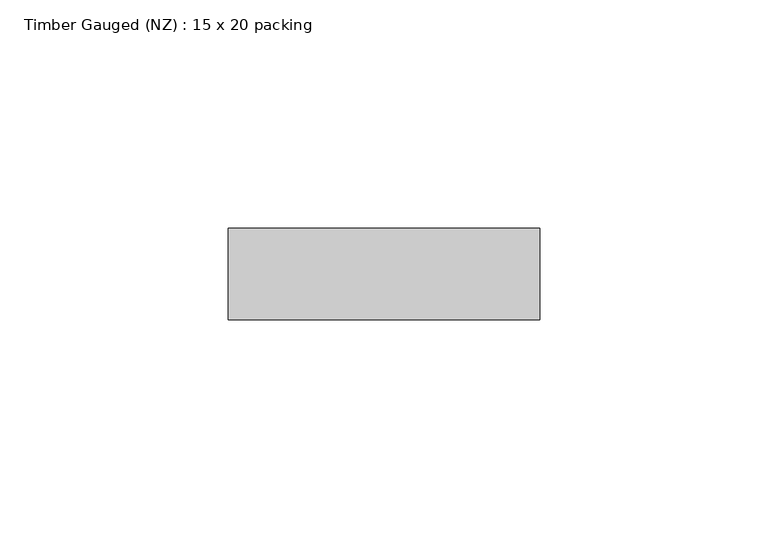
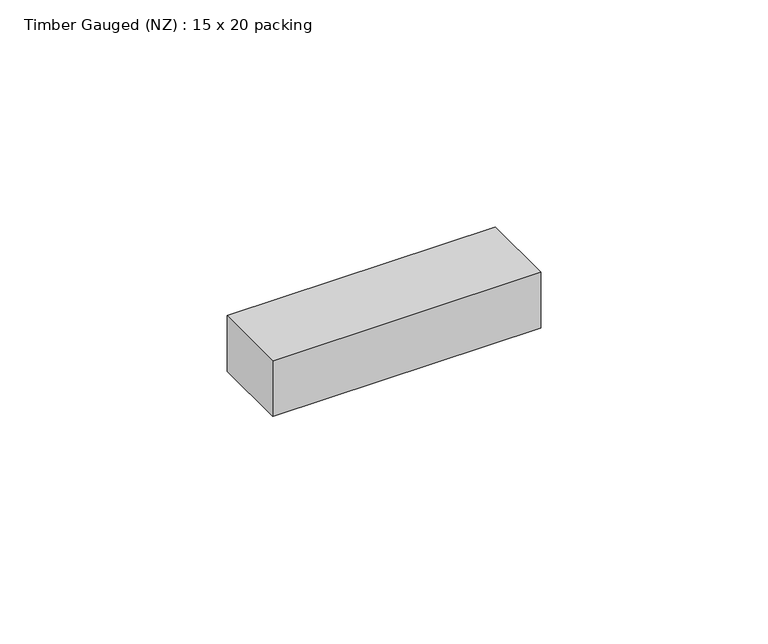
"""IFC4 building model written with IfcOpenShell, lengths in millimetres: beam geometry, Timber Gauged (NZ) : 15 x 20 packing."""

from ifc_helpers import new_model, si_unit, frame, origin, place, context, project, spatial, polyline, outline, extrude, source, transform, mapped, element, save


def timber_gauged_nz_15_x_20_packing_cb423e44(model_context):
    return source(origin(), model_context, "Body", "SweptSolid", [
        extrude(outline(polyline([(19.0000006, 10.0), (19.0000006, -10.0), (-49.1948052, -10.0), (-49.1948052, 10.0), (19.0000006, 10.0)])), frame((0.0, 0.0, -7.5), z_axis=(0.0, 0.0, 1.0), x_axis=(1.0, 0.0, 0.0)), (0.0, 0.0, 1.0), 15.0),
    ])


if __name__ == "__main__":
    model = new_model("IFC4")
    model_context = context("Model", 3, world=origin())
    ifc_project = project(units=[si_unit("LENGTHUNIT", "METRE", prefix="MILLI")], contexts=[model_context])
    site = spatial("IfcSite", under=ifc_project)
    building = spatial("IfcBuilding", under=site)
    placement = place(None, origin())
    timber_gauged_nz_15_x_20_packing_shape = timber_gauged_nz_15_x_20_packing_cb423e44(model_context)
    element("IfcBeam", 1, ObjectType="Timber Gauged (NZ) : 15 x 20 packing", at=placement, inside=building, context=model_context, shape_type="MappedRepresentation", body=[
        mapped(timber_gauged_nz_15_x_20_packing_shape, transform((0.0, 0.0, 0.0), x_axis=(1.0, 0.0, 0.0), y_axis=(0.0, 1.0, 0.0), z_axis=(0.0, 0.0, 1.0))),
    ])
    save(model, "model.ifc")
